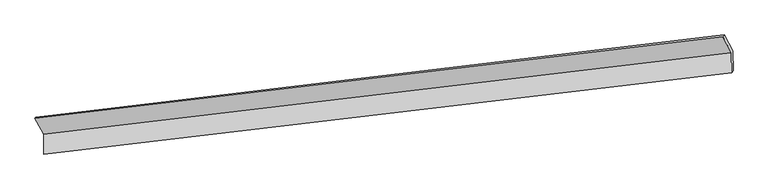
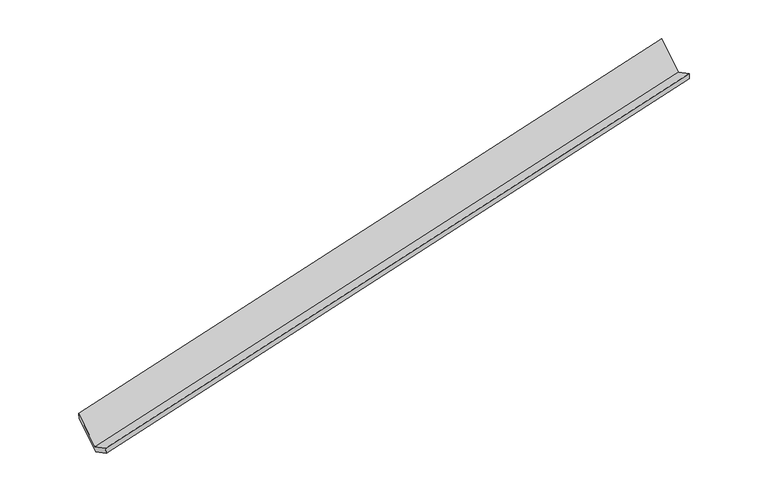
"""IFC4 building model written with IfcOpenShell, lengths in millimetres: proxy geometry."""

from ifc_helpers import new_model, si_unit, frame, origin, place, context, project, spatial, source, transform, mapped, element, save
from ifc_brep_helpers import plane_surface, spline_surface, advanced_brep


def generic_models_8dff94c8(model_context):
    return source(origin(), model_context, "Body", "AdvancedBrep", [
        advanced_brep(
        [(-9756.9765812, -2314.1727476, 253.0027045), (-9752.2142946, -2717.0869211, 456.9644835), (4125.1007903, -1078.9665275, 3391.0945956), (4120.2857794, -671.5916137, 3184.8747165), (-9723.9895149, -2695.179293, 311.7000591), (4153.1146732, -1039.2159381, 3236.7977708), (-9728.7434712, -2292.9699069, 108.095055), (4148.3607168, -637.006552, 3033.1927667), (-9903.6532584, -1969.8589779, 750.4651308), (3973.4509297, -313.8956231, 3675.5628425), (-9932.1146459, -1990.6401217, 896.2111473), (3945.1477148, -348.0589877, 3828.0831593)],
        [
            (0, 1),
            (1, 2),
            (2, 3),
            (3, 0),
            (1, 4),
            (4, 5),
            (5, 2),
            (4, 6),
            (6, 7),
            (7, 5),
            (6, 8),
            (8, 9),
            (9, 7),
            (8, 10),
            (10, 11),
            (11, 9),
            (10, 0),
            (3, 11),
        ],
        [
            plane_surface(frame((-9754.5954379, -2515.6298344, 354.983594), z_axis=(-0.23514466198507306, 0.43676736071946465, 0.868297910022867), x_axis=(0.010544838304219168, -0.8921480629547267, 0.45162001743862823))),
            spline_surface(1, 1, [[(-9752.2142946, -2717.0869211, 456.9644835), (4125.1007903, -1078.9665275, 3391.0945956)], [(-9723.9895149, -2695.179293, 311.7000591), (4153.1146732, -1039.2159381, 3236.7977708)]], [2, 2], [2, 2], [0.0, 1.0], [0.0, 1.0]),
            plane_surface(frame((-9726.3664931, -2494.0745999, 209.8975571), z_axis=(0.23514466198507272, -0.43676736071948763, -0.8682979100228555), x_axis=(-0.010544838304246759, 0.8921480629547116, -0.45162001743865765))),
            plane_surface(frame((-9816.1983648, -2131.4144424, 429.2800929), z_axis=(-0.011225311392659351, 0.8920666745273168, -0.45176436400175746), x_axis=(-0.23635736489944764, 0.4366230670295105, 0.8680411818546013))),
            spline_surface(1, 1, [[(-9903.6532584, -1969.8589779, 750.4651308), (3973.4509297, -313.8956231, 3675.5628425)], [(-9932.1146459, -1990.6401217, 896.2111473), (3945.1477148, -348.0589877, 3828.0831593)]], [2, 2], [2, 2], [0.0, 1.0], [0.0, 1.0]),
            plane_surface(frame((-9844.5456136, -2152.4064346, 574.6069259), z_axis=(0.010204599757837718, -0.8921885930751791, 0.4515477610733057), x_axis=(0.2363573648994468, -0.4366230670295345, -0.8680411818545894))),
            plane_surface(frame((4077.5767674, -681.4558737, 3391.6009752), z_axis=(0.9716089761024861, 0.11589707116198454, 0.20626164561826044), x_axis=(-0.17818515135359664, -0.21507819278295942, 0.9602038444134204))),
            plane_surface(frame((-9799.6152944, -2329.9846614, 462.7397634), z_axis=(-0.971608976102487, -0.11589707116210536, -0.2062616456181886), x_axis=(-0.2363573648994372, 0.43662306702952625, 0.8680411818545963))),
        ],
        [
            (0, [[1, 2, 3, 4]]),
            (1, [[5, 6, 7, -2]]),
            (2, [[8, 9, 10, -6]]),
            (3, [[11, 12, 13, -9]]),
            (4, [[14, 15, 16, -12]]),
            (5, [[17, -4, 18, -15]]),
            (6, [[-16, -18, -3, -7, -10, -13]]),
            (7, [[-17, -14, -11, -8, -5, -1]]),
        ],
    ),
    ])


if __name__ == "__main__":
    model = new_model("IFC4")
    model_context = context("Model", 3, world=origin())
    ifc_project = project(units=[si_unit("LENGTHUNIT", "METRE", prefix="MILLI")], contexts=[model_context])
    site = spatial("IfcSite", under=ifc_project)
    building = spatial("IfcBuilding", under=site)
    placement = place(None, origin())
    generic_models_shape = generic_models_8dff94c8(model_context)
    element("IfcBuildingElementProxy", 1, Name="Generic Models", at=placement, inside=building, context=model_context, shape_type="MappedRepresentation", body=[
        mapped(generic_models_shape, transform((0.0, 0.0, 0.0), x_axis=(1.0, 0.0, 0.0), y_axis=(0.0, 1.0, 0.0), z_axis=(0.0, 0.0, 1.0))),
    ])
    save(model, "model.ifc")
